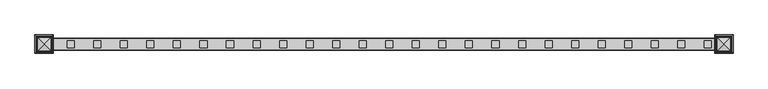
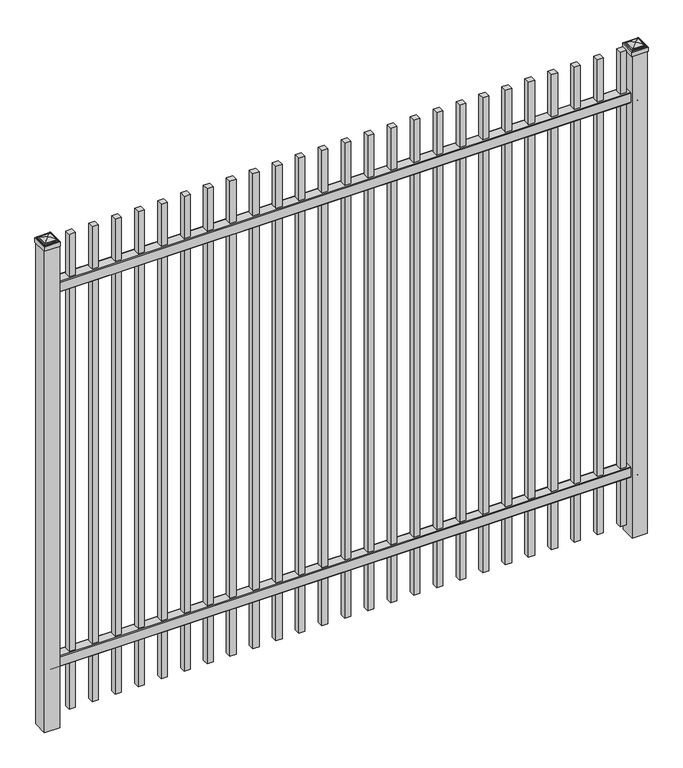
"""IFC4 building model written with IfcOpenShell, lengths in millimetres: railing geometry."""

from ifc_helpers import new_model, si_unit, point, frame, frame_2d, origin, origin_with_axes, place, context, project, spatial, polyline, circle_curve, ellipse_curve, trimmed, segment, composite_curve, outline, extrude, source, transform, mapped, element, save
from ifc_brep_helpers import plane_surface, cylinder_surface, advanced_brep


def railing_2741d853(model_context):
    return source(origin(), model_context, "Body", "SolidModel", [
        extrude(outline(composite_curve([segment(polyline([(8825.9139761, 304.8), (8863.969541, 304.8)]), True, "CONTINUOUS"), segment(trimmed(circle_curve(frame_2d((8863.969541, 301.625)), 3.175), [point((8863.969541, 304.8))], [point((8867.144541, 301.625))], False, "CARTESIAN"), True, "CONTINUOUS"), segment(polyline([(8867.144541, 301.625), (8867.144541, 262.1439893)]), True, "CONTINUOUS"), segment(trimmed(circle_curve(frame_2d((8865.3505518, 262.1439893)), 1.7939893), [point((8867.144541, 262.1439893))], [point((8865.3505518, 260.35))], False, "CARTESIAN"), True, "CONTINUOUS"), segment(polyline([(8865.3505518, 260.35), (8862.7590713, 260.35)]), True, "CONTINUOUS"), segment(trimmed(circle_curve(frame_2d((8862.7590713, 262.1359375)), 1.7859375), [point((8862.7590713, 260.35))], [point((8860.9755813, 262.0424688))], False, "CARTESIAN"), True, "CONTINUOUS"), segment(polyline([(8860.9755813, 262.0424688), (8859.4025867, 292.0569942), (8830.4364954, 292.0569942), (8828.8635007, 262.0424688)]), True, "CONTINUOUS"), segment(trimmed(circle_curve(frame_2d((8827.0800108, 262.1359375)), 1.7859375), [point((8828.8635007, 262.0424688))], [point((8827.0800108, 260.35))], False, "CARTESIAN"), True, "CONTINUOUS"), segment(polyline([(8827.0800108, 260.35), (8824.4804785, 260.35)]), True, "CONTINUOUS"), segment(trimmed(circle_curve(frame_2d((8824.4804785, 262.1359375)), 1.7859375), [point((8824.4804785, 260.35))], [point((8822.694541, 262.1359375))], False, "CARTESIAN"), True, "CONTINUOUS"), segment(polyline([(8822.694541, 262.1359375), (8822.694541, 301.5805649)]), True, "CONTINUOUS"), segment(trimmed(circle_curve(frame_2d((8825.9139761, 301.5805649)), 3.2194351), [point((8822.694541, 301.5805649))], [point((8825.9139761, 304.8))], False, "CARTESIAN"), True, "CONTINUOUS")], self_intersect=False)), frame((2341.3350064, 0.0, 0.0), z_axis=(1.0, 0.0, 0.0), x_axis=(0.0, 1.0, 0.0)), (0.0, 0.0, 1.0), 2438.4),
        extrude(outline(composite_curve([segment(polyline([(8825.9139761, 1947.8625), (8863.969541, 1947.8625)]), True, "CONTINUOUS"), segment(trimmed(circle_curve(frame_2d((8863.969541, 1944.6875)), 3.175), [point((8863.969541, 1947.8625))], [point((8867.144541, 1944.6875))], False, "CARTESIAN"), True, "CONTINUOUS"), segment(polyline([(8867.144541, 1944.6875), (8867.144541, 1905.2064893)]), True, "CONTINUOUS"), segment(trimmed(circle_curve(frame_2d((8865.3505518, 1905.2064893)), 1.7939893), [point((8867.144541, 1905.2064893))], [point((8865.3505518, 1903.4125))], False, "CARTESIAN"), True, "CONTINUOUS"), segment(polyline([(8865.3505518, 1903.4125), (8862.7590713, 1903.4125)]), True, "CONTINUOUS"), segment(trimmed(circle_curve(frame_2d((8862.7590713, 1905.1984375)), 1.7859375), [point((8862.7590713, 1903.4125))], [point((8860.9755813, 1905.1049688))], False, "CARTESIAN"), True, "CONTINUOUS"), segment(polyline([(8860.9755813, 1905.1049688), (8859.4025867, 1935.1194942), (8830.4364954, 1935.1194942), (8828.8635007, 1905.1049688)]), True, "CONTINUOUS"), segment(trimmed(circle_curve(frame_2d((8827.0800108, 1905.1984375)), 1.7859375), [point((8828.8635007, 1905.1049688))], [point((8827.0800108, 1903.4125))], False, "CARTESIAN"), True, "CONTINUOUS"), segment(polyline([(8827.0800108, 1903.4125), (8824.4804785, 1903.4125)]), True, "CONTINUOUS"), segment(trimmed(circle_curve(frame_2d((8824.4804785, 1905.1984375)), 1.7859375), [point((8824.4804785, 1903.4125))], [point((8822.694541, 1905.1984375))], False, "CARTESIAN"), True, "CONTINUOUS"), segment(polyline([(8822.694541, 1905.1984375), (8822.694541, 1944.6430649)]), True, "CONTINUOUS"), segment(trimmed(circle_curve(frame_2d((8825.9139761, 1944.6430649)), 3.2194351), [point((8822.694541, 1944.6430649))], [point((8825.9139761, 1947.8625))], False, "CARTESIAN"), True, "CONTINUOUS")], self_intersect=False)), frame((2341.3350064, 0.0, 0.0), z_axis=(1.0, 0.0, 0.0), x_axis=(0.0, 1.0, 0.0)), (0.0, 0.0, 1.0), 2438.4),
        extrude(outline(polyline([(4709.8850064, 8857.619541), (4735.2850064, 8857.619541), (4735.2850064, 8832.219541), (4709.8850064, 8832.219541), (4709.8850064, 8857.619541)])), frame((0.0, 0.0, 50.8), z_axis=(0.0, 0.0, 1.0), x_axis=(1.0, 0.0, 0.0)), (0.0, 0.0, 1.0), 2082.8),
        extrude(outline(polyline([(4614.6350064, 8857.619541), (4640.0350064, 8857.619541), (4640.0350064, 8832.219541), (4614.6350064, 8832.219541), (4614.6350064, 8857.619541)])), frame((0.0, 0.0, 50.8), z_axis=(0.0, 0.0, 1.0), x_axis=(1.0, 0.0, 0.0)), (0.0, 0.0, 1.0), 2082.8),
        extrude(outline(polyline([(4519.3850064, 8857.619541), (4544.7850064, 8857.619541), (4544.7850064, 8832.219541), (4519.3850064, 8832.219541), (4519.3850064, 8857.619541)])), frame((0.0, 0.0, 50.8), z_axis=(0.0, 0.0, 1.0), x_axis=(1.0, 0.0, 0.0)), (0.0, 0.0, 1.0), 2082.8),
        extrude(outline(polyline([(4424.1350064, 8857.619541), (4449.5350064, 8857.619541), (4449.5350064, 8832.219541), (4424.1350064, 8832.219541), (4424.1350064, 8857.619541)])), frame((0.0, 0.0, 50.8), z_axis=(0.0, 0.0, 1.0), x_axis=(1.0, 0.0, 0.0)), (0.0, 0.0, 1.0), 2082.8),
        extrude(outline(polyline([(4328.8850064, 8857.619541), (4354.2850064, 8857.619541), (4354.2850064, 8832.219541), (4328.8850064, 8832.219541), (4328.8850064, 8857.619541)])), frame((0.0, 0.0, 50.8), z_axis=(0.0, 0.0, 1.0), x_axis=(1.0, 0.0, 0.0)), (0.0, 0.0, 1.0), 2082.8),
        extrude(outline(polyline([(4233.6350064, 8857.619541), (4259.0350064, 8857.619541), (4259.0350064, 8832.219541), (4233.6350064, 8832.219541), (4233.6350064, 8857.619541)])), frame((0.0, 0.0, 50.8), z_axis=(0.0, 0.0, 1.0), x_axis=(1.0, 0.0, 0.0)), (0.0, 0.0, 1.0), 2082.8),
        extrude(outline(polyline([(4138.3850064, 8857.619541), (4163.7850064, 8857.619541), (4163.7850064, 8832.219541), (4138.3850064, 8832.219541), (4138.3850064, 8857.619541)])), frame((0.0, 0.0, 50.8), z_axis=(0.0, 0.0, 1.0), x_axis=(1.0, 0.0, 0.0)), (0.0, 0.0, 1.0), 2082.8),
        extrude(outline(polyline([(4043.1350064, 8857.619541), (4068.5350064, 8857.619541), (4068.5350064, 8832.219541), (4043.1350064, 8832.219541), (4043.1350064, 8857.619541)])), frame((0.0, 0.0, 50.8), z_axis=(0.0, 0.0, 1.0), x_axis=(1.0, 0.0, 0.0)), (0.0, 0.0, 1.0), 2082.8),
        extrude(outline(polyline([(3947.8850064, 8857.619541), (3973.2850064, 8857.619541), (3973.2850064, 8832.219541), (3947.8850064, 8832.219541), (3947.8850064, 8857.619541)])), frame((0.0, 0.0, 50.8), z_axis=(0.0, 0.0, 1.0), x_axis=(1.0, 0.0, 0.0)), (0.0, 0.0, 1.0), 2082.8),
        extrude(outline(polyline([(3852.6350064, 8857.619541), (3878.0350064, 8857.619541), (3878.0350064, 8832.219541), (3852.6350064, 8832.219541), (3852.6350064, 8857.619541)])), frame((0.0, 0.0, 50.8), z_axis=(0.0, 0.0, 1.0), x_axis=(1.0, 0.0, 0.0)), (0.0, 0.0, 1.0), 2082.8),
        extrude(outline(polyline([(3757.3850064, 8857.619541), (3782.7850064, 8857.619541), (3782.7850064, 8832.219541), (3757.3850064, 8832.219541), (3757.3850064, 8857.619541)])), frame((0.0, 0.0, 50.8), z_axis=(0.0, 0.0, 1.0), x_axis=(1.0, 0.0, 0.0)), (0.0, 0.0, 1.0), 2082.8),
        extrude(outline(polyline([(3662.1350064, 8857.619541), (3687.5350064, 8857.619541), (3687.5350064, 8832.219541), (3662.1350064, 8832.219541), (3662.1350064, 8857.619541)])), frame((0.0, 0.0, 50.8), z_axis=(0.0, 0.0, 1.0), x_axis=(1.0, 0.0, 0.0)), (0.0, 0.0, 1.0), 2082.8),
        extrude(outline(polyline([(3566.8850064, 8857.619541), (3592.2850064, 8857.619541), (3592.2850064, 8832.219541), (3566.8850064, 8832.219541), (3566.8850064, 8857.619541)])), frame((0.0, 0.0, 50.8), z_axis=(0.0, 0.0, 1.0), x_axis=(1.0, 0.0, 0.0)), (0.0, 0.0, 1.0), 2082.8),
        extrude(outline(polyline([(3471.6350064, 8857.619541), (3497.0350064, 8857.619541), (3497.0350064, 8832.219541), (3471.6350064, 8832.219541), (3471.6350064, 8857.619541)])), frame((0.0, 0.0, 50.8), z_axis=(0.0, 0.0, 1.0), x_axis=(1.0, 0.0, 0.0)), (0.0, 0.0, 1.0), 2082.8),
        extrude(outline(polyline([(3376.3850064, 8857.619541), (3401.7850064, 8857.619541), (3401.7850064, 8832.219541), (3376.3850064, 8832.219541), (3376.3850064, 8857.619541)])), frame((0.0, 0.0, 50.8), z_axis=(0.0, 0.0, 1.0), x_axis=(1.0, 0.0, 0.0)), (0.0, 0.0, 1.0), 2082.8),
        extrude(outline(polyline([(3281.1350064, 8857.619541), (3306.5350064, 8857.619541), (3306.5350064, 8832.219541), (3281.1350064, 8832.219541), (3281.1350064, 8857.619541)])), frame((0.0, 0.0, 50.8), z_axis=(0.0, 0.0, 1.0), x_axis=(1.0, 0.0, 0.0)), (0.0, 0.0, 1.0), 2082.8),
        extrude(outline(polyline([(3185.8850064, 8857.619541), (3211.2850064, 8857.619541), (3211.2850064, 8832.219541), (3185.8850064, 8832.219541), (3185.8850064, 8857.619541)])), frame((0.0, 0.0, 50.8), z_axis=(0.0, 0.0, 1.0), x_axis=(1.0, 0.0, 0.0)), (0.0, 0.0, 1.0), 2082.8),
        extrude(outline(polyline([(3090.6350064, 8857.619541), (3116.0350064, 8857.619541), (3116.0350064, 8832.219541), (3090.6350064, 8832.219541), (3090.6350064, 8857.619541)])), frame((0.0, 0.0, 50.8), z_axis=(0.0, 0.0, 1.0), x_axis=(1.0, 0.0, 0.0)), (0.0, 0.0, 1.0), 2082.8),
        extrude(outline(polyline([(2995.3850064, 8857.619541), (3020.7850064, 8857.619541), (3020.7850064, 8832.219541), (2995.3850064, 8832.219541), (2995.3850064, 8857.619541)])), frame((0.0, 0.0, 50.8), z_axis=(0.0, 0.0, 1.0), x_axis=(1.0, 0.0, 0.0)), (0.0, 0.0, 1.0), 2082.8),
        extrude(outline(polyline([(2900.1350064, 8857.619541), (2925.5350064, 8857.619541), (2925.5350064, 8832.219541), (2900.1350064, 8832.219541), (2900.1350064, 8857.619541)])), frame((0.0, 0.0, 50.8), z_axis=(0.0, 0.0, 1.0), x_axis=(1.0, 0.0, 0.0)), (0.0, 0.0, 1.0), 2082.8),
        extrude(outline(polyline([(2804.8850064, 8857.619541), (2830.2850064, 8857.619541), (2830.2850064, 8832.219541), (2804.8850064, 8832.219541), (2804.8850064, 8857.619541)])), frame((0.0, 0.0, 50.8), z_axis=(0.0, 0.0, 1.0), x_axis=(1.0, 0.0, 0.0)), (0.0, 0.0, 1.0), 2082.8),
        extrude(outline(polyline([(2709.6350064, 8857.619541), (2735.0350064, 8857.619541), (2735.0350064, 8832.219541), (2709.6350064, 8832.219541), (2709.6350064, 8857.619541)])), frame((0.0, 0.0, 50.8), z_axis=(0.0, 0.0, 1.0), x_axis=(1.0, 0.0, 0.0)), (0.0, 0.0, 1.0), 2082.8),
        extrude(outline(polyline([(2614.3850064, 8857.619541), (2639.7850064, 8857.619541), (2639.7850064, 8832.219541), (2614.3850064, 8832.219541), (2614.3850064, 8857.619541)])), frame((0.0, 0.0, 50.8), z_axis=(0.0, 0.0, 1.0), x_axis=(1.0, 0.0, 0.0)), (0.0, 0.0, 1.0), 2082.8),
        extrude(outline(polyline([(2519.1350064, 8857.619541), (2544.5350064, 8857.619541), (2544.5350064, 8832.219541), (2519.1350064, 8832.219541), (2519.1350064, 8857.619541)])), frame((0.0, 0.0, 50.8), z_axis=(0.0, 0.0, 1.0), x_axis=(1.0, 0.0, 0.0)), (0.0, 0.0, 1.0), 2082.8),
        extrude(outline(polyline([(2423.8850064, 8857.619541), (2449.2850064, 8857.619541), (2449.2850064, 8832.219541), (2423.8850064, 8832.219541), (2423.8850064, 8857.619541)])), frame((0.0, 0.0, 50.8), z_axis=(0.0, 0.0, 1.0), x_axis=(1.0, 0.0, 0.0)), (0.0, 0.0, 1.0), 2082.8),
        extrude(outline(polyline([(4811.4850064, 8876.669541), (4811.4850064, 8813.169541), (4747.9850064, 8813.169541), (4747.9850064, 8876.669541), (4811.4850064, 8876.669541)])), origin_with_axes(), (0.0, 0.0, 1.0), 2112.9625),
        advanced_brep(
        [(4746.3975064, 8878.257041, 2131.21875), (4746.3975064, 8878.257041, 2112.9625), (4746.3975064, 8811.582041, 2112.9625), (4746.3975064, 8811.582041, 2131.21875), (4748.7787564, 8875.875791, 2133.6), (4748.7787564, 8813.963291, 2133.6), (4751.1600064, 8873.494541, 2135.98125), (4751.1600064, 8873.494541, 2133.6), (4751.1600064, 8816.344541, 2133.6), (4751.1600064, 8816.344541, 2135.98125), (4753.5412564, 8871.113291, 2138.3625), (4753.5412564, 8818.725791, 2138.3625), (4779.7350064, 8844.919541, 2144.7125), (4755.9225064, 8868.732041, 2138.3625), (4755.9225064, 8821.107041, 2138.3625), (4813.0725064, 8811.582041, 2112.9625), (4813.0725064, 8811.582041, 2131.21875), (4810.6912564, 8813.963291, 2133.6), (4808.3100064, 8816.344541, 2133.6), (4808.3100064, 8816.344541, 2135.98125), (4805.9287564, 8818.725791, 2138.3625), (4803.5475064, 8821.107041, 2138.3625), (4813.0725064, 8878.257041, 2112.9625), (4813.0725064, 8878.257041, 2131.21875), (4810.6912564, 8875.875791, 2133.6), (4808.3100064, 8873.494541, 2133.6), (4808.3100064, 8873.494541, 2135.98125), (4805.9287564, 8871.113291, 2138.3625), (4803.5475064, 8868.732041, 2138.3625)],
        [
            (0, 1),
            (1, 2),
            (2, 3),
            (3, 0),
            (4, 0, ellipse_curve(frame((4748.7787564, 8875.875791, 2131.21875), z_axis=(-0.70710678118655, -0.7071067811865449, 0.0), x_axis=(-0.7071067811865448, 0.7071067811865501, 0.0)), 3.367596, 2.38125)),
            (3, 5, ellipse_curve(frame((4748.7787564, 8813.963291, 2131.21875), z_axis=(-0.7071067811865449, 0.70710678118655, 0.0), x_axis=(0.7071067811865499, 0.707106781186545, 0.0)), 3.367596, 2.38125)),
            (5, 4),
            (6, 7),
            (7, 8),
            (8, 9),
            (9, 6),
            (10, 6, ellipse_curve(frame((4753.5412564, 8871.113291, 2135.98125), z_axis=(-0.70710678118655, -0.7071067811865449, 0.0), x_axis=(-0.7071067811865448, 0.7071067811865501, 0.0)), 3.367596, 2.38125)),
            (9, 11, ellipse_curve(frame((4753.5412564, 8818.725791, 2135.98125), z_axis=(-0.7071067811865449, 0.70710678118655, 0.0), x_axis=(0.7071067811865499, 0.707106781186545, 0.0)), 3.367596, 2.38125)),
            (11, 10),
            (12, 13, ellipse_curve(frame((4779.7350064, 8844.919541, 2096.8890625), z_axis=(-0.70710678118655, -0.7071067811865449, 0.0), x_axis=(-0.7071067811865448, 0.7071067811865501, 0.0)), 67.6325539, 47.8234375)),
            (13, 14),
            (14, 12, ellipse_curve(frame((4779.7350064, 8844.919541, 2096.8890625), z_axis=(-0.7071067811865449, 0.70710678118655, 0.0), x_axis=(0.7071067811865499, 0.707106781186545, 0.0)), 67.6325539, 47.8234375)),
            (2, 15),
            (15, 16),
            (16, 3),
            (16, 17, ellipse_curve(frame((4810.6912564, 8813.963291, 2131.21875), z_axis=(-0.70710678118655, -0.707106781186545, 0.0), x_axis=(-0.707106781186545, 0.70710678118655, 0.0)), 3.367596, 2.38125)),
            (17, 5),
            (8, 18),
            (18, 19),
            (19, 9),
            (19, 20, ellipse_curve(frame((4805.9287564, 8818.725791, 2135.98125), z_axis=(-0.70710678118655, -0.707106781186545, 0.0), x_axis=(-0.707106781186545, 0.70710678118655, 0.0)), 3.367596, 2.38125)),
            (20, 11),
            (14, 21),
            (21, 12, ellipse_curve(frame((4779.7350064, 8844.919541, 2096.8890625), z_axis=(-0.70710678118655, -0.707106781186545, 0.0), x_axis=(-0.707106781186545, 0.70710678118655, 0.0)), 67.6325539, 47.8234375)),
            (15, 22),
            (22, 23),
            (23, 16),
            (23, 24, ellipse_curve(frame((4810.6912564, 8875.875791, 2131.21875), z_axis=(0.707106781186545, -0.7071067811865499, 0.0), x_axis=(-0.7071067811865497, -0.7071067811865452, 0.0)), 3.367596, 2.38125)),
            (24, 17),
            (18, 25),
            (25, 26),
            (26, 19),
            (26, 27, ellipse_curve(frame((4805.9287564, 8871.113291, 2135.98125), z_axis=(0.707106781186545, -0.7071067811865499, 0.0), x_axis=(-0.7071067811865497, -0.7071067811865452, 0.0)), 3.367596, 2.38125)),
            (27, 20),
            (21, 28),
            (28, 12, ellipse_curve(frame((4779.7350064, 8844.919541, 2096.8890625), z_axis=(0.707106781186545, -0.7071067811865499, 0.0), x_axis=(-0.7071067811865497, -0.7071067811865452, 0.0)), 67.6325539, 47.8234375)),
            (22, 1),
            (0, 23),
            (4, 24),
            (7, 25),
            (6, 26),
            (10, 27),
            (13, 28),
        ],
        [
            plane_surface(frame((4746.3975064, 8878.257041, 2112.9625), z_axis=(-1.0, 0.0, 0.0), x_axis=(0.0, -1.0, 0.0))),
            cylinder_surface(frame((4748.7787564, 8876.669541, 2131.21875), z_axis=(0.0, 1.0, 0.0), x_axis=(1.0, 0.0, 0.0)), 2.38125),
            plane_surface(frame((4751.1600064, 8873.494541, 2133.6), z_axis=(-1.0, 0.0, 0.0), x_axis=(0.0, -1.0, 0.0))),
            cylinder_surface(frame((4753.5412564, 8876.669541, 2135.98125), z_axis=(0.0, 1.0, 0.0), x_axis=(1.0, 0.0, 0.0)), 2.38125),
            cylinder_surface(frame((4779.7350064, 8876.669541, 2096.8890625), z_axis=(0.0, 1.0, 0.0), x_axis=(1.0, 0.0, 0.0)), 47.8234375),
            plane_surface(frame((4746.3975064, 8811.582041, 2112.9625), z_axis=(0.0, -1.0, 0.0), x_axis=(1.0, 0.0, 0.0))),
            cylinder_surface(frame((4747.9850064, 8813.963291, 2131.21875), z_axis=(-1.0, 0.0, 0.0), x_axis=(0.0, 1.0, 0.0)), 2.38125),
            plane_surface(frame((4751.1600064, 8816.344541, 2133.6), z_axis=(0.0, -1.0, 0.0), x_axis=(1.0, 0.0, 0.0))),
            cylinder_surface(frame((4747.9850064, 8818.725791, 2135.98125), z_axis=(-1.0, 0.0, 0.0), x_axis=(0.0, 1.0, 0.0)), 2.38125),
            cylinder_surface(frame((4747.9850064, 8844.919541, 2096.8890625), z_axis=(-1.0, 0.0, 0.0), x_axis=(0.0, 1.0, 0.0)), 47.8234375),
            plane_surface(frame((4813.0725064, 8811.582041, 2112.9625), z_axis=(1.0, 0.0, 0.0), x_axis=(0.0, 1.0, 0.0))),
            cylinder_surface(frame((4810.6912564, 8813.169541, 2131.21875), z_axis=(0.0, -1.0, 0.0), x_axis=(-1.0, 0.0, 0.0)), 2.38125),
            plane_surface(frame((4808.3100064, 8816.344541, 2133.6), z_axis=(1.0, 0.0, 0.0), x_axis=(0.0, 1.0, 0.0))),
            cylinder_surface(frame((4805.9287564, 8813.169541, 2135.98125), z_axis=(0.0, -1.0, 0.0), x_axis=(-1.0, 0.0, 0.0)), 2.38125),
            cylinder_surface(frame((4779.7350064, 8813.169541, 2096.8890625), z_axis=(0.0, -1.0, 0.0), x_axis=(-1.0, 0.0, 0.0)), 47.8234375),
            plane_surface(frame((4813.0725064, 8878.257041, 2112.9625), z_axis=(0.0, 1.0, 0.0), x_axis=(-1.0, 0.0, 0.0))),
            cylinder_surface(frame((4811.4850064, 8875.875791, 2131.21875), z_axis=(1.0, 0.0, 0.0), x_axis=(0.0, -1.0, 0.0)), 2.38125),
            plane_surface(frame((4810.6912564, 8875.875791, 2133.6), z_axis=(0.0, 0.0, 1.0), x_axis=(-1.0, 0.0, 0.0))),
            plane_surface(frame((4808.3100064, 8873.494541, 2133.6), z_axis=(0.0, 1.0, 0.0), x_axis=(-1.0, 0.0, 0.0))),
            cylinder_surface(frame((4811.4850064, 8871.113291, 2135.98125), z_axis=(1.0, 0.0, 0.0), x_axis=(0.0, -1.0, 0.0)), 2.38125),
            plane_surface(frame((4805.9287564, 8871.113291, 2138.3625), z_axis=(0.0, 0.0, 1.0), x_axis=(-1.0, 0.0, 0.0))),
            cylinder_surface(frame((4811.4850064, 8844.919541, 2096.8890625), z_axis=(1.0, 0.0, 0.0), x_axis=(0.0, -1.0, 0.0)), 47.8234375),
            plane_surface(frame((4779.7350064, 8844.919541, 2112.9625), z_axis=(0.0, 0.0, -1.0), x_axis=(-1.0, 0.0, 0.0))),
        ],
        [
            (0, [[1, 2, 3, 4]]),
            (1, [[5, -4, 6, 7]]),
            (2, [[8, 9, 10, 11]]),
            (3, [[12, -11, 13, 14]]),
            (4, [[15, 16, 17]]),
            (5, [[-3, 18, 19, 20]]),
            (6, [[-6, -20, 21, 22]]),
            (7, [[-10, 23, 24, 25]]),
            (8, [[-13, -25, 26, 27]]),
            (9, [[-17, 28, 29]]),
            (10, [[-19, 30, 31, 32]]),
            (11, [[-21, -32, 33, 34]]),
            (12, [[-24, 35, 36, 37]]),
            (13, [[-26, -37, 38, 39]]),
            (14, [[-29, 40, 41]]),
            (15, [[-31, 42, -1, 43]]),
            (16, [[-33, -43, -5, 44]]),
            (17, [[-22, -34, -44, -7], [45, -35, -23, -9]]),
            (18, [[-36, -45, -8, 46]]),
            (19, [[-38, -46, -12, 47]]),
            (20, [[-27, -39, -47, -14], [48, -40, -28, -16]]),
            (21, [[-41, -48, -15]]),
            (22, [[-42, -30, -18, -2]]),
        ],
    ),
        extrude(outline(polyline([(2373.0850064, 8876.669541), (2373.0850064, 8813.169541), (2309.5850064, 8813.169541), (2309.5850064, 8876.669541), (2373.0850064, 8876.669541)])), origin_with_axes(), (0.0, 0.0, 1.0), 2112.9625),
        advanced_brep(
        [(2307.9975064, 8878.257041, 2131.21875), (2307.9975064, 8878.257041, 2112.9625), (2307.9975064, 8811.582041, 2112.9625), (2307.9975064, 8811.582041, 2131.21875), (2310.3787564, 8875.875791, 2133.6), (2310.3787564, 8813.963291, 2133.6), (2312.7600064, 8873.494541, 2135.98125), (2312.7600064, 8873.494541, 2133.6), (2312.7600064, 8816.344541, 2133.6), (2312.7600064, 8816.344541, 2135.98125), (2315.1412564, 8871.113291, 2138.3625), (2315.1412564, 8818.725791, 2138.3625), (2341.3350064, 8844.919541, 2144.7125), (2317.5225064, 8868.732041, 2138.3625), (2317.5225064, 8821.107041, 2138.3625), (2374.6725064, 8811.582041, 2112.9625), (2374.6725064, 8811.582041, 2131.21875), (2372.2912564, 8813.963291, 2133.6), (2369.9100064, 8816.344541, 2133.6), (2369.9100064, 8816.344541, 2135.98125), (2367.5287564, 8818.725791, 2138.3625), (2365.1475064, 8821.107041, 2138.3625), (2374.6725064, 8878.257041, 2112.9625), (2374.6725064, 8878.257041, 2131.21875), (2372.2912564, 8875.875791, 2133.6), (2369.9100064, 8873.494541, 2133.6), (2369.9100064, 8873.494541, 2135.98125), (2367.5287564, 8871.113291, 2138.3625), (2365.1475064, 8868.732041, 2138.3625)],
        [
            (0, 1),
            (1, 2),
            (2, 3),
            (3, 0),
            (4, 0, ellipse_curve(frame((2310.3787564, 8875.875791, 2131.21875), z_axis=(-0.70710678118655, -0.7071067811865449, 0.0), x_axis=(-0.7071067811865448, 0.7071067811865501, 0.0)), 3.367596, 2.38125)),
            (3, 5, ellipse_curve(frame((2310.3787564, 8813.963291, 2131.21875), z_axis=(-0.7071067811865449, 0.70710678118655, 0.0), x_axis=(0.7071067811865499, 0.707106781186545, 0.0)), 3.367596, 2.38125)),
            (5, 4),
            (6, 7),
            (7, 8),
            (8, 9),
            (9, 6),
            (10, 6, ellipse_curve(frame((2315.1412564, 8871.113291, 2135.98125), z_axis=(-0.70710678118655, -0.7071067811865449, 0.0), x_axis=(-0.7071067811865448, 0.7071067811865501, 0.0)), 3.367596, 2.38125)),
            (9, 11, ellipse_curve(frame((2315.1412564, 8818.725791, 2135.98125), z_axis=(-0.7071067811865449, 0.70710678118655, 0.0), x_axis=(0.7071067811865499, 0.707106781186545, 0.0)), 3.367596, 2.38125)),
            (11, 10),
            (12, 13, ellipse_curve(frame((2341.3350064, 8844.919541, 2096.8890625), z_axis=(-0.70710678118655, -0.7071067811865449, 0.0), x_axis=(-0.7071067811865448, 0.7071067811865501, 0.0)), 67.6325539, 47.8234375)),
            (13, 14),
            (14, 12, ellipse_curve(frame((2341.3350064, 8844.919541, 2096.8890625), z_axis=(-0.7071067811865449, 0.70710678118655, 0.0), x_axis=(0.7071067811865499, 0.707106781186545, 0.0)), 67.6325539, 47.8234375)),
            (2, 15),
            (15, 16),
            (16, 3),
            (16, 17, ellipse_curve(frame((2372.2912564, 8813.963291, 2131.21875), z_axis=(-0.70710678118655, -0.707106781186545, 0.0), x_axis=(-0.707106781186545, 0.70710678118655, 0.0)), 3.367596, 2.38125)),
            (17, 5),
            (8, 18),
            (18, 19),
            (19, 9),
            (19, 20, ellipse_curve(frame((2367.5287564, 8818.725791, 2135.98125), z_axis=(-0.70710678118655, -0.707106781186545, 0.0), x_axis=(-0.707106781186545, 0.70710678118655, 0.0)), 3.367596, 2.38125)),
            (20, 11),
            (14, 21),
            (21, 12, ellipse_curve(frame((2341.3350064, 8844.919541, 2096.8890625), z_axis=(-0.70710678118655, -0.707106781186545, 0.0), x_axis=(-0.707106781186545, 0.70710678118655, 0.0)), 67.6325539, 47.8234375)),
            (15, 22),
            (22, 23),
            (23, 16),
            (23, 24, ellipse_curve(frame((2372.2912564, 8875.875791, 2131.21875), z_axis=(0.707106781186545, -0.7071067811865499, 0.0), x_axis=(-0.7071067811865497, -0.7071067811865452, 0.0)), 3.367596, 2.38125)),
            (24, 17),
            (18, 25),
            (25, 26),
            (26, 19),
            (26, 27, ellipse_curve(frame((2367.5287564, 8871.113291, 2135.98125), z_axis=(0.707106781186545, -0.7071067811865499, 0.0), x_axis=(-0.7071067811865497, -0.7071067811865452, 0.0)), 3.367596, 2.38125)),
            (27, 20),
            (21, 28),
            (28, 12, ellipse_curve(frame((2341.3350064, 8844.919541, 2096.8890625), z_axis=(0.707106781186545, -0.7071067811865499, 0.0), x_axis=(-0.7071067811865497, -0.7071067811865452, 0.0)), 67.6325539, 47.8234375)),
            (22, 1),
            (0, 23),
            (4, 24),
            (7, 25),
            (6, 26),
            (10, 27),
            (13, 28),
        ],
        [
            plane_surface(frame((2307.9975064, 8878.257041, 2112.9625), z_axis=(-1.0, 0.0, 0.0), x_axis=(0.0, -1.0, 0.0))),
            cylinder_surface(frame((2310.3787564, 8876.669541, 2131.21875), z_axis=(0.0, 1.0, 0.0), x_axis=(1.0, 0.0, 0.0)), 2.38125),
            plane_surface(frame((2312.7600064, 8873.494541, 2133.6), z_axis=(-1.0, 0.0, 0.0), x_axis=(0.0, -1.0, 0.0))),
            cylinder_surface(frame((2315.1412564, 8876.669541, 2135.98125), z_axis=(0.0, 1.0, 0.0), x_axis=(1.0, 0.0, 0.0)), 2.38125),
            cylinder_surface(frame((2341.3350064, 8876.669541, 2096.8890625), z_axis=(0.0, 1.0, 0.0), x_axis=(1.0, 0.0, 0.0)), 47.8234375),
            plane_surface(frame((2307.9975064, 8811.582041, 2112.9625), z_axis=(0.0, -1.0, 0.0), x_axis=(1.0, 0.0, 0.0))),
            cylinder_surface(frame((2309.5850064, 8813.963291, 2131.21875), z_axis=(-1.0, 0.0, 0.0), x_axis=(0.0, 1.0, 0.0)), 2.38125),
            plane_surface(frame((2312.7600064, 8816.344541, 2133.6), z_axis=(0.0, -1.0, 0.0), x_axis=(1.0, 0.0, 0.0))),
            cylinder_surface(frame((2309.5850064, 8818.725791, 2135.98125), z_axis=(-1.0, 0.0, 0.0), x_axis=(0.0, 1.0, 0.0)), 2.38125),
            cylinder_surface(frame((2309.5850064, 8844.919541, 2096.8890625), z_axis=(-1.0, 0.0, 0.0), x_axis=(0.0, 1.0, 0.0)), 47.8234375),
            plane_surface(frame((2374.6725064, 8811.582041, 2112.9625), z_axis=(1.0, 0.0, 0.0), x_axis=(0.0, 1.0, 0.0))),
            cylinder_surface(frame((2372.2912564, 8813.169541, 2131.21875), z_axis=(0.0, -1.0, 0.0), x_axis=(-1.0, 0.0, 0.0)), 2.38125),
            plane_surface(frame((2369.9100064, 8816.344541, 2133.6), z_axis=(1.0, 0.0, 0.0), x_axis=(0.0, 1.0, 0.0))),
            cylinder_surface(frame((2367.5287564, 8813.169541, 2135.98125), z_axis=(0.0, -1.0, 0.0), x_axis=(-1.0, 0.0, 0.0)), 2.38125),
            cylinder_surface(frame((2341.3350064, 8813.169541, 2096.8890625), z_axis=(0.0, -1.0, 0.0), x_axis=(-1.0, 0.0, 0.0)), 47.8234375),
            plane_surface(frame((2374.6725064, 8878.257041, 2112.9625), z_axis=(0.0, 1.0, 0.0), x_axis=(-1.0, 0.0, 0.0))),
            cylinder_surface(frame((2373.0850064, 8875.875791, 2131.21875), z_axis=(1.0, 0.0, 0.0), x_axis=(0.0, -1.0, 0.0)), 2.38125),
            plane_surface(frame((2372.2912564, 8875.875791, 2133.6), z_axis=(0.0, 0.0, 1.0), x_axis=(-1.0, 0.0, 0.0))),
            plane_surface(frame((2369.9100064, 8873.494541, 2133.6), z_axis=(0.0, 1.0, 0.0), x_axis=(-1.0, 0.0, 0.0))),
            cylinder_surface(frame((2373.0850064, 8871.113291, 2135.98125), z_axis=(1.0, 0.0, 0.0), x_axis=(0.0, -1.0, 0.0)), 2.38125),
            plane_surface(frame((2367.5287564, 8871.113291, 2138.3625), z_axis=(0.0, 0.0, 1.0), x_axis=(-1.0, 0.0, 0.0))),
            cylinder_surface(frame((2373.0850064, 8844.919541, 2096.8890625), z_axis=(1.0, 0.0, 0.0), x_axis=(0.0, -1.0, 0.0)), 47.8234375),
            plane_surface(frame((2341.3350064, 8844.919541, 2112.9625), z_axis=(0.0, 0.0, -1.0), x_axis=(-1.0, 0.0, 0.0))),
        ],
        [
            (0, [[1, 2, 3, 4]]),
            (1, [[5, -4, 6, 7]]),
            (2, [[8, 9, 10, 11]]),
            (3, [[12, -11, 13, 14]]),
            (4, [[15, 16, 17]]),
            (5, [[-3, 18, 19, 20]]),
            (6, [[-6, -20, 21, 22]]),
            (7, [[-10, 23, 24, 25]]),
            (8, [[-13, -25, 26, 27]]),
            (9, [[-17, 28, 29]]),
            (10, [[-19, 30, 31, 32]]),
            (11, [[-21, -32, 33, 34]]),
            (12, [[-24, 35, 36, 37]]),
            (13, [[-26, -37, 38, 39]]),
            (14, [[-29, 40, 41]]),
            (15, [[-31, 42, -1, 43]]),
            (16, [[-33, -43, -5, 44]]),
            (17, [[-22, -34, -44, -7], [45, -35, -23, -9]]),
            (18, [[-36, -45, -8, 46]]),
            (19, [[-38, -46, -12, 47]]),
            (20, [[-27, -39, -47, -14], [48, -40, -28, -16]]),
            (21, [[-41, -48, -15]]),
            (22, [[-42, -30, -18, -2]]),
        ],
    ),
    ])


if __name__ == "__main__":
    model = new_model("IFC4")
    model_context = context("Model", 3, world=origin())
    ifc_project = project(units=[si_unit("LENGTHUNIT", "METRE", prefix="MILLI")], contexts=[model_context])
    site = spatial("IfcSite", under=ifc_project)
    building = spatial("IfcBuilding", under=site)
    placement = place(None, origin())
    railing_shape = railing_2741d853(model_context)
    element("IfcRailing", 1, at=placement, inside=building, context=model_context, shape_type="MappedRepresentation", body=[
        mapped(railing_shape, transform((0.0, 0.0, 0.0), x_axis=(1.0, 0.0, 0.0), y_axis=(0.0, 1.0, 0.0), z_axis=(0.0, 0.0, 1.0))),
    ])
    save(model, "model.ifc")
